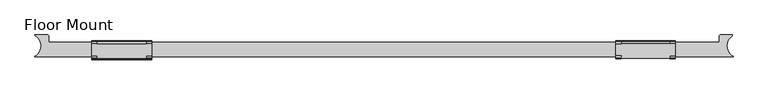
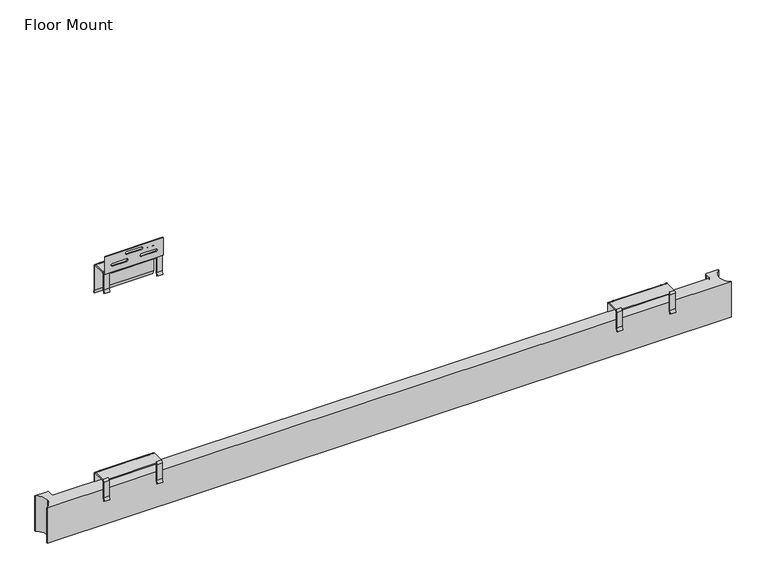
"""IFC4 building model written with IfcOpenShell, lengths in millimetres: furniture geometry, Floor Mount."""

from ifc_helpers import new_model, si_unit, point, frame, frame_2d, origin, place, context, project, spatial, polyline, circle_curve, trimmed, segment, composite_curve, outline, extrude, source, transform, mapped, element, save
from ifc_brep_helpers import plane_surface, cylinder_surface, revolved_surface, advanced_brep


def floor_mount_2cc74920(model_context):
    return source(origin(), model_context, "Body", "SolidModel", [
        advanced_brep(
        [(215.8885666, 5.7461246, 1121.5285587), (215.8885666, 5.7461246, 1076.7957523), (215.8885666, 3.2667156, 1067.4836792), (215.8885666, 5.3049075, 1066.9409954), (215.8885666, 7.8554071, 1076.520068), (215.8885666, 7.8554071, 1121.9591913), (215.8885666, 10.3954071, 1124.4991913), (215.8885666, 6.7052337, 1124.4991913), (200.8882541, 10.8261246, 1126.6085587), (200.8882541, 43.9656951, 1126.6085587), (200.8882541, 49.0456951, 1121.5285587), (200.8882541, 49.0456951, 1051.8139055), (200.8882541, 51.5428205, 1042.4945068), (200.8882541, 49.5053746, 1041.9485749), (200.8882541, 46.9363822, 1051.536185), (200.8882541, 46.9363822, 1121.9591913), (200.8882541, 44.3963822, 1124.4991913), (200.8882541, 10.3954071, 1124.4991913), (200.8882541, 7.8554071, 1121.9591913), (200.8882541, 7.8554071, 1076.520068), (200.8882541, 5.3049075, 1066.9409954), (200.8882541, 3.2667156, 1067.4836792), (200.8882541, 5.7461246, 1076.7957523), (200.8882541, 5.7461246, 1121.5285587), (215.8885666, 10.8261246, 1126.6085587), (215.8885666, 44.3963822, 1124.4991913), (345.880632, 44.3963822, 1124.4991913), (360.8808792, 44.3963822, 1124.4991913), (360.8808792, 10.3954071, 1124.4991913), (345.880632, 10.3954071, 1124.4991913), (345.880632, 6.7052337, 1124.4991913), (345.880632, 4.9316273, 1124.4991913), (215.8885666, 4.9316273, 1124.4991913), (215.8885666, 46.9363822, 1121.9591913), (360.8808792, 46.9363822, 1051.536185), (360.8808792, 46.9363822, 1121.9591913), (345.880632, 46.9363822, 1121.9591913), (215.8885666, 49.0456951, 1121.5285587), (345.880632, 49.0456951, 1121.5285587), (360.8808792, 49.0456951, 1121.5285587), (360.8808792, 49.0456951, 1051.8139055), (215.8885666, 43.9656951, 1126.6085587), (215.8885666, 4.9316273, 1126.6085587), (345.880632, 4.9316273, 1126.6085587), (345.880632, 10.8261246, 1126.6085587), (360.8808792, 10.8261246, 1126.6085587), (360.8808792, 43.9656951, 1126.6085587), (345.880632, 43.9656951, 1126.6085587), (360.8808792, 49.5053746, 1041.9485749), (360.8808792, 51.5428205, 1042.4945068), (360.8808792, 5.7461246, 1121.5285587), (360.8808792, 5.7461246, 1076.7957523), (360.8808792, 3.2667156, 1067.4836792), (360.8808792, 5.3049075, 1066.9409954), (360.8808792, 7.8554071, 1076.520068), (360.8808792, 7.8554071, 1121.9591913), (345.880632, 7.8554071, 1121.9591913), (345.880632, 7.8554071, 1076.520068), (345.880632, 5.3049075, 1066.9409954), (345.880632, 3.2667156, 1067.4836792), (345.880632, 5.7461246, 1076.7957523), (345.880632, 5.7461246, 1121.5285587)],
        [
            (0, 1),
            (1, 2),
            (2, 3),
            (3, 4),
            (4, 5),
            (5, 6, circle_curve(frame((215.8885666, 10.3954071, 1121.9591913), z_axis=(-1.0, 0.0, 0.0), x_axis=(0.0, 1.0, 0.0)), 2.54)),
            (6, 7),
            (7, 0, circle_curve(frame((215.8885666, 10.8261246, 1121.5285587), z_axis=(1.0, 0.0, 0.0), x_axis=(0.0, 1.0, 0.0)), 5.08)),
            (8, 9),
            (9, 10, circle_curve(frame((200.8882541, 43.9656951, 1121.5285587), z_axis=(-1.0, 0.0, 0.0), x_axis=(0.0, 1.0, 0.0)), 5.08)),
            (10, 11),
            (11, 12),
            (12, 13),
            (13, 14),
            (14, 15),
            (15, 16, circle_curve(frame((200.8882541, 44.3963822, 1121.9591913), z_axis=(1.0, 0.0, 0.0), x_axis=(0.0, 1.0, 0.0)), 2.54)),
            (16, 17),
            (17, 18, circle_curve(frame((200.8882541, 10.3954071, 1121.9591913), z_axis=(1.0, 0.0, 0.0), x_axis=(0.0, 1.0, 0.0)), 2.54)),
            (18, 19),
            (19, 20),
            (20, 21),
            (21, 22),
            (22, 23),
            (23, 8, circle_curve(frame((200.8882541, 10.8261246, 1121.5285587), z_axis=(-1.0, 0.0, 0.0), x_axis=(0.0, 1.0, 0.0)), 5.08)),
            (23, 0),
            (7, 24, circle_curve(frame((215.8885666, 10.8261246, 1121.5285587), z_axis=(-1.0, 0.0, 0.0), x_axis=(0.0, 1.0, 0.0)), 5.08)),
            (24, 8),
            (22, 1),
            (21, 2),
            (20, 3),
            (19, 4),
            (18, 5),
            (17, 6),
            (16, 25),
            (25, 26),
            (26, 27),
            (27, 28),
            (28, 29),
            (29, 30),
            (30, 31),
            (31, 32),
            (32, 7),
            (15, 33),
            (33, 25, circle_curve(frame((215.8885666, 44.3963822, 1121.9591913), z_axis=(1.0, 0.0, 0.0), x_axis=(0.0, 1.0, 0.0)), 2.54)),
            (14, 34),
            (34, 35),
            (35, 36),
            (36, 33),
            (10, 37),
            (37, 38),
            (38, 39),
            (39, 40),
            (40, 11),
            (9, 41),
            (41, 37, circle_curve(frame((215.8885666, 43.9656951, 1121.5285587), z_axis=(-1.0, 0.0, 0.0), x_axis=(0.0, 1.0, 0.0)), 5.08)),
            (24, 42),
            (42, 43),
            (43, 44),
            (44, 45),
            (45, 46),
            (46, 47),
            (47, 41),
            (13, 48),
            (48, 34),
            (12, 49),
            (49, 48),
            (40, 49),
            (43, 31),
            (30, 44, circle_curve(frame((345.880632, 10.8261246, 1121.5285587), z_axis=(-1.0, 0.0, 0.0), x_axis=(0.0, 1.0, 0.0)), 5.08)),
            (32, 42),
            (36, 26, circle_curve(frame((345.880632, 44.3963822, 1121.9591913), z_axis=(1.0, 0.0, 0.0), x_axis=(0.0, 1.0, 0.0)), 2.54)),
            (47, 38, circle_curve(frame((345.880632, 43.9656951, 1121.5285587), z_axis=(-1.0, 0.0, 0.0), x_axis=(0.0, 1.0, 0.0)), 5.08)),
            (45, 50, circle_curve(frame((360.8808792, 10.8261246, 1121.5285587), z_axis=(1.0, 0.0, 0.0), x_axis=(0.0, 1.0, 0.0)), 5.08)),
            (50, 51),
            (51, 52),
            (52, 53),
            (53, 54),
            (54, 55),
            (55, 28, circle_curve(frame((360.8808792, 10.3954071, 1121.9591913), z_axis=(-1.0, 0.0, 0.0), x_axis=(0.0, 1.0, 0.0)), 2.54)),
            (27, 35, circle_curve(frame((360.8808792, 44.3963822, 1121.9591913), z_axis=(-1.0, 0.0, 0.0), x_axis=(0.0, 1.0, 0.0)), 2.54)),
            (39, 46, circle_curve(frame((360.8808792, 43.9656951, 1121.5285587), z_axis=(1.0, 0.0, 0.0), x_axis=(0.0, 1.0, 0.0)), 5.08)),
            (29, 56, circle_curve(frame((345.880632, 10.3954071, 1121.9591913), z_axis=(1.0, 0.0, 0.0), x_axis=(0.0, 1.0, 0.0)), 2.54)),
            (56, 57),
            (57, 58),
            (58, 59),
            (59, 60),
            (60, 61),
            (61, 30, circle_curve(frame((345.880632, 10.8261246, 1121.5285587), z_axis=(-1.0, 0.0, 0.0), x_axis=(0.0, 1.0, 0.0)), 5.08)),
            (61, 50),
            (60, 51),
            (59, 52),
            (58, 53),
            (57, 54),
            (56, 55),
        ],
        [
            plane_surface(frame((215.8885666, 15.9061246, 1121.5285587), z_axis=(1.0, 0.0, 0.0), x_axis=(0.0, 0.0, 1.0))),
            plane_surface(frame((200.8882541, 15.9061246, 1121.5285587), z_axis=(-1.0, 0.0, 0.0), x_axis=(0.0, 0.0, -1.0))),
            cylinder_surface(frame((200.8882541, 10.8261246, 1121.5285587), z_axis=(1.0, 0.0, 0.0), x_axis=(0.0, 1.0, 0.0)), 5.08),
            plane_surface(frame((215.8885666, 5.7461246, 1121.5285587), z_axis=(0.0, -1.0, 0.0), x_axis=(-1.0, 0.0, 0.0))),
            plane_surface(frame((215.8885666, 5.7461246, 1076.7957523), z_axis=(0.0, -0.9663333149378539, 0.2572934597715583), x_axis=(-1.0, 0.0, 0.0))),
            plane_surface(frame((215.8885666, 3.2667156, 1067.4836792), z_axis=(0.0, -0.25729345977151075, -0.9663333149378666), x_axis=(-1.0, 0.0, 0.0))),
            plane_surface(frame((215.8885666, 5.3049075, 1066.9409954), z_axis=(0.0, 0.966333314937853, -0.25729345977156176), x_axis=(-1.0, 0.0, 0.0))),
            plane_surface(frame((215.8885666, 7.8554071, 1076.520068), z_axis=(0.0, 1.0, 0.0), x_axis=(-1.0, 0.0, 0.0))),
            revolved_surface(polyline([(200.8882541, 12.935407099999999, 1121.9591913), (215.8885666, 12.935407099999999, 1121.9591913)]), (200.8882541, 10.3954071, 1121.9591913), (-1.0, 0.0, 0.0)),
            plane_surface(frame((215.8885666, 10.3954071, 1124.4991913), z_axis=(0.0, 0.0, -1.0), x_axis=(-1.0, 0.0, 0.0))),
            revolved_surface(polyline([(200.8882541, 46.9363822, 1121.9591913), (215.8885666, 46.9363822, 1121.9591913)]), (200.8882541, 44.3963822, 1121.9591913), (-1.0, 0.0, 0.0)),
            plane_surface(frame((215.8885666, 46.9363822, 1121.9591913), z_axis=(0.0, -1.0, 0.0), x_axis=(-1.0, 0.0, 0.0))),
            plane_surface(frame((215.8885666, 49.0456951, 1051.8139055), z_axis=(0.0, 1.0, 0.0), x_axis=(-1.0, 0.0, 0.0))),
            cylinder_surface(frame((200.8882541, 43.9656951, 1121.5285587), z_axis=(1.0, 0.0, 0.0), x_axis=(0.0, 1.0, 0.0)), 5.08),
            plane_surface(frame((215.8885666, 43.9656951, 1126.6085587), z_axis=(0.0, 0.0, 1.0), x_axis=(-1.0, 0.0, 0.0))),
            plane_surface(frame((215.8885666, 46.9363822, 1051.536185), z_axis=(0.0, -0.9659258262890708, -0.2588190451025117), x_axis=(-1.0, 0.0, 0.0))),
            plane_surface(frame((215.8885666, 49.5053746, 1041.9485749), z_axis=(0.0, 0.2588190451025379, -0.9659258262890638), x_axis=(-1.0, 0.0, 0.0))),
            plane_surface(frame((215.8885666, 51.5428205, 1042.4945068), z_axis=(0.0, 0.9659258262890699, 0.258819045102515), x_axis=(-1.0, 0.0, 0.0))),
            plane_surface(frame((345.880632, 10.3954071, 1124.4991913), z_axis=(1.0, 0.0, 0.0), x_axis=(0.0, 1.0, 0.0))),
            plane_surface(frame((215.8885666, 10.3954071, 1124.4991913), z_axis=(-1.0, 0.0, 0.0), x_axis=(0.0, -1.0, 0.0))),
            revolved_surface(polyline([(215.8885666, 46.9363822, 1121.9591913), (345.880632, 46.9363822, 1121.9591913)]), (215.8885666, 44.3963822, 1121.9591913), (-1.0, 0.0, 0.0)),
            cylinder_surface(frame((215.8885666, 43.9656951, 1121.5285587), z_axis=(1.0, 0.0, 0.0), x_axis=(0.0, 1.0, 0.0)), 5.08),
            plane_surface(frame((345.880632, 4.9316273, 1126.6085587), z_axis=(0.0, -1.0, 0.0), x_axis=(-1.0, 0.0, 0.0))),
            plane_surface(frame((360.8808792, 15.9061246, 1121.5285587), z_axis=(1.0, 0.0, 0.0), x_axis=(0.0, 0.0, 1.0))),
            plane_surface(frame((345.880632, 15.9061246, 1121.5285587), z_axis=(-1.0, 0.0, 0.0), x_axis=(0.0, 0.0, -1.0))),
            cylinder_surface(frame((345.880632, 10.8261246, 1121.5285587), z_axis=(1.0, 0.0, 0.0), x_axis=(0.0, 1.0, 0.0)), 5.08),
            plane_surface(frame((360.8808792, 5.7461246, 1121.5285587), z_axis=(0.0, -1.0, 0.0), x_axis=(-1.0, 0.0, 0.0))),
            plane_surface(frame((360.8808792, 5.7461246, 1076.7957523), z_axis=(0.0, -0.9663333149378539, 0.2572934597715583), x_axis=(-1.0, 0.0, 0.0))),
            plane_surface(frame((360.8808792, 3.2667156, 1067.4836792), z_axis=(0.0, -0.25729345977151075, -0.9663333149378666), x_axis=(-1.0, 0.0, 0.0))),
            plane_surface(frame((360.8808792, 5.3049075, 1066.9409954), z_axis=(0.0, 0.966333314937853, -0.25729345977156176), x_axis=(-1.0, 0.0, 0.0))),
            plane_surface(frame((360.8808792, 7.8554071, 1076.520068), z_axis=(0.0, 1.0, 0.0), x_axis=(-1.0, 0.0, 0.0))),
            revolved_surface(polyline([(345.880632, 12.935407099999999, 1121.9591913), (360.8808792, 12.935407099999999, 1121.9591913)]), (345.880632, 10.3954071, 1121.9591913), (-1.0, 0.0, 0.0)),
            revolved_surface(polyline([(345.880632, 46.9363822, 1121.9591913), (360.8808792, 46.9363822, 1121.9591913)]), (345.880632, 44.3963822, 1121.9591913), (-1.0, 0.0, 0.0)),
            cylinder_surface(frame((345.880632, 43.9656951, 1121.5285587), z_axis=(1.0, 0.0, 0.0), x_axis=(0.0, 1.0, 0.0)), 5.08),
        ],
        [
            (0, [[1, 2, 3, 4, 5, 6, 7, 8]]),
            (1, [[9, 10, 11, 12, 13, 14, 15, 16, 17, 18, 19, 20, 21, 22, 23, 24]]),
            (2, [[-24, 25, -8, 26, 27]]),
            (3, [[-1, -25, -23, 28]]),
            (4, [[-2, -28, -22, 29]]),
            (5, [[-3, -29, -21, 30]]),
            (6, [[-4, -30, -20, 31]]),
            (7, [[-5, -31, -19, 32]]),
            (8, [[-6, -32, -18, 33]]),
            (9, [[-17, 34, 35, 36, 37, 38, 39, 40, 41, 42, -7, -33]]),
            (10, [[-16, 43, 44, -34]]),
            (11, [[-15, 45, 46, 47, 48, -43]]),
            (12, [[-11, 49, 50, 51, 52, 53]]),
            (13, [[-10, 54, 55, -49]]),
            (14, [[-9, -27, 56, 57, 58, 59, 60, 61, 62, -54]]),
            (15, [[-45, -14, 63, 64]]),
            (16, [[-63, -13, 65, 66]]),
            (17, [[-65, -12, -53, 67]]),
            (18, [[68, -40, 69, -58]]),
            (19, [[70, -56, -26, -42]]),
            (20, [[-35, -44, -48, 71]]),
            (21, [[-50, -55, -62, 72]]),
            (22, [[-68, -57, -70, -41]]),
            (23, [[73, 74, 75, 76, 77, 78, 79, -37, 80, -46, -64, -66, -67, -52, 81, -60]]),
            (24, [[82, 83, 84, 85, 86, 87, 88, -39]]),
            (25, [[-73, -59, -69, -88, 89]]),
            (26, [[-74, -89, -87, 90]]),
            (27, [[-75, -90, -86, 91]]),
            (28, [[-76, -91, -85, 92]]),
            (29, [[-77, -92, -84, 93]]),
            (30, [[-78, -93, -83, 94]]),
            (31, [[-79, -94, -82, -38]]),
            (32, [[-80, -36, -71, -47]]),
            (33, [[-81, -51, -72, -61]]),
        ],
    ),
        advanced_brep(
        [(1615.8884804, 5.7461246, 1121.5285587), (1615.8884804, 5.7461246, 1076.7957523), (1615.8884804, 3.2667156, 1067.4836792), (1615.8884804, 5.3049075, 1066.9409954), (1615.8884804, 7.8554071, 1076.520068), (1615.8884804, 7.8554071, 1121.9591913), (1615.8884804, 10.3954071, 1124.4991913), (1615.8884804, 6.7052337, 1124.4991913), (1600.8882332, 10.8261246, 1126.6085587), (1600.8882332, 43.9656951, 1126.6085587), (1600.8882332, 49.0456951, 1121.5285587), (1600.8882332, 49.0456951, 1051.8139055), (1600.8882332, 51.5428205, 1042.4945068), (1600.8882332, 49.5053746, 1041.9485749), (1600.8882332, 46.9363822, 1051.536185), (1600.8882332, 46.9363822, 1121.9591913), (1600.8882332, 44.3963822, 1124.4991913), (1600.8882332, 10.3954071, 1124.4991913), (1600.8882332, 7.8554071, 1121.9591913), (1600.8882332, 7.8554071, 1076.520068), (1600.8882332, 5.3049075, 1066.9409954), (1600.8882332, 3.2667156, 1067.4836792), (1600.8882332, 5.7461246, 1076.7957523), (1600.8882332, 5.7461246, 1121.5285587), (1615.8884804, 10.8261246, 1126.6085587), (1615.8884804, 44.3963822, 1124.4991913), (1745.8804489, 44.3963822, 1124.4991913), (1760.8806961, 44.3963822, 1124.4991913), (1760.8806961, 10.3954071, 1124.4991913), (1745.8804489, 10.3954071, 1124.4991913), (1745.8804489, 6.7052337, 1124.4991913), (1745.8804489, 4.9316273, 1124.4991913), (1615.8884804, 4.9316273, 1124.4991913), (1615.8884804, 46.9363822, 1121.9591913), (1760.8806961, 46.9363822, 1051.536185), (1760.8806961, 46.9363822, 1121.9591913), (1745.8804489, 46.9363822, 1121.9591913), (1615.8884804, 49.0456951, 1121.5285587), (1745.8804489, 49.0456951, 1121.5285587), (1760.8806961, 49.0456951, 1121.5285587), (1760.8806961, 49.0456951, 1051.8139055), (1615.8884804, 43.9656951, 1126.6085587), (1615.8884804, 4.9316273, 1126.6085587), (1745.8804489, 4.9316273, 1126.6085587), (1745.8804489, 10.8261246, 1126.6085587), (1760.8806961, 10.8261246, 1126.6085587), (1760.8806961, 43.9656951, 1126.6085587), (1745.8804489, 43.9656951, 1126.6085587), (1760.8806961, 49.5053746, 1041.9485749), (1760.8806961, 51.5428205, 1042.4945068), (1760.8806961, 5.7461246, 1121.5285587), (1760.8806961, 5.7461246, 1076.7957523), (1760.8806961, 3.2667156, 1067.4836792), (1760.8806961, 5.3049075, 1066.9409954), (1760.8806961, 7.8554071, 1076.520068), (1760.8806961, 7.8554071, 1121.9591913), (1745.8804489, 7.8554071, 1121.9591913), (1745.8804489, 7.8554071, 1076.520068), (1745.8804489, 5.3049075, 1066.9409954), (1745.8804489, 3.2667156, 1067.4836792), (1745.8804489, 5.7461246, 1076.7957523), (1745.8804489, 5.7461246, 1121.5285587)],
        [
            (0, 1),
            (1, 2),
            (2, 3),
            (3, 4),
            (4, 5),
            (5, 6, circle_curve(frame((1615.8884804, 10.3954071, 1121.9591913), z_axis=(-1.0, 0.0, 0.0), x_axis=(0.0, 1.0, 0.0)), 2.54)),
            (6, 7),
            (7, 0, circle_curve(frame((1615.8884804, 10.8261246, 1121.5285587), z_axis=(1.0, 0.0, 0.0), x_axis=(0.0, 1.0, 0.0)), 5.08)),
            (8, 9),
            (9, 10, circle_curve(frame((1600.8882332, 43.9656951, 1121.5285587), z_axis=(-1.0, 0.0, 0.0), x_axis=(0.0, 1.0, 0.0)), 5.08)),
            (10, 11),
            (11, 12),
            (12, 13),
            (13, 14),
            (14, 15),
            (15, 16, circle_curve(frame((1600.8882332, 44.3963822, 1121.9591913), z_axis=(1.0, 0.0, 0.0), x_axis=(0.0, 1.0, 0.0)), 2.54)),
            (16, 17),
            (17, 18, circle_curve(frame((1600.8882332, 10.3954071, 1121.9591913), z_axis=(1.0, 0.0, 0.0), x_axis=(0.0, 1.0, 0.0)), 2.54)),
            (18, 19),
            (19, 20),
            (20, 21),
            (21, 22),
            (22, 23),
            (23, 8, circle_curve(frame((1600.8882332, 10.8261246, 1121.5285587), z_axis=(-1.0, 0.0, 0.0), x_axis=(0.0, 1.0, 0.0)), 5.08)),
            (23, 0),
            (7, 24, circle_curve(frame((1615.8884804, 10.8261246, 1121.5285587), z_axis=(-1.0, 0.0, 0.0), x_axis=(0.0, 1.0, 0.0)), 5.08)),
            (24, 8),
            (22, 1),
            (21, 2),
            (20, 3),
            (19, 4),
            (18, 5),
            (17, 6),
            (16, 25),
            (25, 26),
            (26, 27),
            (27, 28),
            (28, 29),
            (29, 30),
            (30, 31),
            (31, 32),
            (32, 7),
            (15, 33),
            (33, 25, circle_curve(frame((1615.8884804, 44.3963822, 1121.9591913), z_axis=(1.0, 0.0, 0.0), x_axis=(0.0, 1.0, 0.0)), 2.54)),
            (14, 34),
            (34, 35),
            (35, 36),
            (36, 33),
            (10, 37),
            (37, 38),
            (38, 39),
            (39, 40),
            (40, 11),
            (9, 41),
            (41, 37, circle_curve(frame((1615.8884804, 43.9656951, 1121.5285587), z_axis=(-1.0, 0.0, 0.0), x_axis=(0.0, 1.0, 0.0)), 5.08)),
            (24, 42),
            (42, 43),
            (43, 44),
            (44, 45),
            (45, 46),
            (46, 47),
            (47, 41),
            (13, 48),
            (48, 34),
            (12, 49),
            (49, 48),
            (40, 49),
            (43, 31),
            (30, 44, circle_curve(frame((1745.8804489, 10.8261246, 1121.5285587), z_axis=(-1.0, 0.0, 0.0), x_axis=(0.0, 1.0, 0.0)), 5.08)),
            (32, 42),
            (36, 26, circle_curve(frame((1745.8804489, 44.3963822, 1121.9591913), z_axis=(1.0, 0.0, 0.0), x_axis=(0.0, 1.0, 0.0)), 2.54)),
            (47, 38, circle_curve(frame((1745.8804489, 43.9656951, 1121.5285587), z_axis=(-1.0, 0.0, 0.0), x_axis=(0.0, 1.0, 0.0)), 5.08)),
            (45, 50, circle_curve(frame((1760.8806961, 10.8261246, 1121.5285587), z_axis=(1.0, 0.0, 0.0), x_axis=(0.0, 1.0, 0.0)), 5.08)),
            (50, 51),
            (51, 52),
            (52, 53),
            (53, 54),
            (54, 55),
            (55, 28, circle_curve(frame((1760.8806961, 10.3954071, 1121.9591913), z_axis=(-1.0, 0.0, 0.0), x_axis=(0.0, 1.0, 0.0)), 2.54)),
            (27, 35, circle_curve(frame((1760.8806961, 44.3963822, 1121.9591913), z_axis=(-1.0, 0.0, 0.0), x_axis=(0.0, 1.0, 0.0)), 2.54)),
            (39, 46, circle_curve(frame((1760.8806961, 43.9656951, 1121.5285587), z_axis=(1.0, 0.0, 0.0), x_axis=(0.0, 1.0, 0.0)), 5.08)),
            (29, 56, circle_curve(frame((1745.8804489, 10.3954071, 1121.9591913), z_axis=(1.0, 0.0, 0.0), x_axis=(0.0, 1.0, 0.0)), 2.54)),
            (56, 57),
            (57, 58),
            (58, 59),
            (59, 60),
            (60, 61),
            (61, 30, circle_curve(frame((1745.8804489, 10.8261246, 1121.5285587), z_axis=(-1.0, 0.0, 0.0), x_axis=(0.0, 1.0, 0.0)), 5.08)),
            (61, 50),
            (60, 51),
            (59, 52),
            (58, 53),
            (57, 54),
            (56, 55),
        ],
        [
            plane_surface(frame((1615.8884804, 15.9061246, 1121.5285587), z_axis=(1.0, 0.0, 0.0), x_axis=(0.0, 0.0, 1.0))),
            plane_surface(frame((1600.8882332, 15.9061246, 1121.5285587), z_axis=(-1.0, 0.0, 0.0), x_axis=(0.0, 0.0, -1.0))),
            cylinder_surface(frame((1600.8882332, 10.8261246, 1121.5285587), z_axis=(1.0, 0.0, 0.0), x_axis=(0.0, 1.0, 0.0)), 5.08),
            plane_surface(frame((1615.8884804, 5.7461246, 1121.5285587), z_axis=(0.0, -1.0, 0.0), x_axis=(-1.0, 0.0, 0.0))),
            plane_surface(frame((1615.8884804, 5.7461246, 1076.7957523), z_axis=(0.0, -0.9663333149378539, 0.2572934597715583), x_axis=(-1.0, 0.0, 0.0))),
            plane_surface(frame((1615.8884804, 3.2667156, 1067.4836792), z_axis=(0.0, -0.25729345977151075, -0.9663333149378666), x_axis=(-1.0, 0.0, 0.0))),
            plane_surface(frame((1615.8884804, 5.3049075, 1066.9409954), z_axis=(0.0, 0.966333314937853, -0.25729345977156176), x_axis=(-1.0, 0.0, 0.0))),
            plane_surface(frame((1615.8884804, 7.8554071, 1076.520068), z_axis=(0.0, 1.0, 0.0), x_axis=(-1.0, 0.0, 0.0))),
            revolved_surface(polyline([(1600.8882332, 12.935407099999999, 1121.9591913), (1615.8884804, 12.935407099999999, 1121.9591913)]), (1600.8882332, 10.3954071, 1121.9591913), (-1.0, 0.0, 0.0)),
            plane_surface(frame((1615.8884804, 10.3954071, 1124.4991913), z_axis=(0.0, 0.0, -1.0), x_axis=(-1.0, 0.0, 0.0))),
            revolved_surface(polyline([(1600.8882332, 46.9363822, 1121.9591913), (1615.8884804, 46.9363822, 1121.9591913)]), (1600.8882332, 44.3963822, 1121.9591913), (-1.0, 0.0, 0.0)),
            plane_surface(frame((1615.8884804, 46.9363822, 1121.9591913), z_axis=(0.0, -1.0, 0.0), x_axis=(-1.0, 0.0, 0.0))),
            plane_surface(frame((1615.8884804, 49.0456951, 1051.8139055), z_axis=(0.0, 1.0, 0.0), x_axis=(-1.0, 0.0, 0.0))),
            cylinder_surface(frame((1600.8882332, 43.9656951, 1121.5285587), z_axis=(1.0, 0.0, 0.0), x_axis=(0.0, 1.0, 0.0)), 5.08),
            plane_surface(frame((1615.8884804, 43.9656951, 1126.6085587), z_axis=(0.0, 0.0, 1.0), x_axis=(-1.0, 0.0, 0.0))),
            plane_surface(frame((1615.8884804, 46.9363822, 1051.536185), z_axis=(0.0, -0.9659258262890708, -0.2588190451025117), x_axis=(-1.0, 0.0, 0.0))),
            plane_surface(frame((1615.8884804, 49.5053746, 1041.9485749), z_axis=(0.0, 0.2588190451025379, -0.9659258262890638), x_axis=(-1.0, 0.0, 0.0))),
            plane_surface(frame((1615.8884804, 51.5428205, 1042.4945068), z_axis=(0.0, 0.9659258262890699, 0.258819045102515), x_axis=(-1.0, 0.0, 0.0))),
            plane_surface(frame((1745.8804489, 10.3954071, 1124.4991913), z_axis=(1.0, 0.0, 0.0), x_axis=(0.0, 1.0, 0.0))),
            plane_surface(frame((1615.8884804, 10.3954071, 1124.4991913), z_axis=(-1.0, 0.0, 0.0), x_axis=(0.0, -1.0, 0.0))),
            revolved_surface(polyline([(1615.8884804, 46.9363822, 1121.9591913), (1745.8804489, 46.9363822, 1121.9591913)]), (1615.8884804, 44.3963822, 1121.9591913), (-1.0, 0.0, 0.0)),
            cylinder_surface(frame((1615.8884804, 43.9656951, 1121.5285587), z_axis=(1.0, 0.0, 0.0), x_axis=(0.0, 1.0, 0.0)), 5.08),
            plane_surface(frame((1745.8804489, 4.9316273, 1126.6085587), z_axis=(0.0, -1.0, 0.0), x_axis=(-1.0, 0.0, 0.0))),
            plane_surface(frame((1760.8806961, 15.9061246, 1121.5285587), z_axis=(1.0, 0.0, 0.0), x_axis=(0.0, 0.0, 1.0))),
            plane_surface(frame((1745.8804489, 15.9061246, 1121.5285587), z_axis=(-1.0, 0.0, 0.0), x_axis=(0.0, 0.0, -1.0))),
            cylinder_surface(frame((1745.8804489, 10.8261246, 1121.5285587), z_axis=(1.0, 0.0, 0.0), x_axis=(0.0, 1.0, 0.0)), 5.08),
            plane_surface(frame((1760.8806961, 5.7461246, 1121.5285587), z_axis=(0.0, -1.0, 0.0), x_axis=(-1.0, 0.0, 0.0))),
            plane_surface(frame((1760.8806961, 5.7461246, 1076.7957523), z_axis=(0.0, -0.9663333149378539, 0.2572934597715583), x_axis=(-1.0, 0.0, 0.0))),
            plane_surface(frame((1760.8806961, 3.2667156, 1067.4836792), z_axis=(0.0, -0.25729345977151075, -0.9663333149378666), x_axis=(-1.0, 0.0, 0.0))),
            plane_surface(frame((1760.8806961, 5.3049075, 1066.9409954), z_axis=(0.0, 0.966333314937853, -0.25729345977156176), x_axis=(-1.0, 0.0, 0.0))),
            plane_surface(frame((1760.8806961, 7.8554071, 1076.520068), z_axis=(0.0, 1.0, 0.0), x_axis=(-1.0, 0.0, 0.0))),
            revolved_surface(polyline([(1745.8804489, 12.935407099999999, 1121.9591913), (1760.8806961, 12.935407099999999, 1121.9591913)]), (1745.8804489, 10.3954071, 1121.9591913), (-1.0, 0.0, 0.0)),
            revolved_surface(polyline([(1745.8804489, 46.9363822, 1121.9591913), (1760.8806961, 46.9363822, 1121.9591913)]), (1745.8804489, 44.3963822, 1121.9591913), (-1.0, 0.0, 0.0)),
            cylinder_surface(frame((1745.8804489, 43.9656951, 1121.5285587), z_axis=(1.0, 0.0, 0.0), x_axis=(0.0, 1.0, 0.0)), 5.08),
        ],
        [
            (0, [[1, 2, 3, 4, 5, 6, 7, 8]]),
            (1, [[9, 10, 11, 12, 13, 14, 15, 16, 17, 18, 19, 20, 21, 22, 23, 24]]),
            (2, [[-24, 25, -8, 26, 27]]),
            (3, [[-1, -25, -23, 28]]),
            (4, [[-2, -28, -22, 29]]),
            (5, [[-3, -29, -21, 30]]),
            (6, [[-4, -30, -20, 31]]),
            (7, [[-5, -31, -19, 32]]),
            (8, [[-6, -32, -18, 33]]),
            (9, [[-17, 34, 35, 36, 37, 38, 39, 40, 41, 42, -7, -33]]),
            (10, [[-16, 43, 44, -34]]),
            (11, [[-15, 45, 46, 47, 48, -43]]),
            (12, [[-11, 49, 50, 51, 52, 53]]),
            (13, [[-10, 54, 55, -49]]),
            (14, [[-9, -27, 56, 57, 58, 59, 60, 61, 62, -54]]),
            (15, [[-45, -14, 63, 64]]),
            (16, [[-63, -13, 65, 66]]),
            (17, [[-65, -12, -53, 67]]),
            (18, [[68, -40, 69, -58]]),
            (19, [[70, -56, -26, -42]]),
            (20, [[-35, -44, -48, 71]]),
            (21, [[-50, -55, -62, 72]]),
            (22, [[-68, -57, -70, -41]]),
            (23, [[73, 74, 75, 76, 77, 78, 79, -37, 80, -46, -64, -66, -67, -52, 81, -60]]),
            (24, [[82, 83, 84, 85, 86, 87, 88, -39]]),
            (25, [[-73, -59, -69, -88, 89]]),
            (26, [[-74, -89, -87, 90]]),
            (27, [[-75, -90, -86, 91]]),
            (28, [[-76, -91, -85, 92]]),
            (29, [[-77, -92, -84, 93]]),
            (30, [[-78, -93, -83, 94]]),
            (31, [[-79, -94, -82, -38]]),
            (32, [[-80, -36, -71, -47]]),
            (33, [[-81, -51, -72, -61]]),
        ],
    ),
        extrude(outline(composite_curve([segment(polyline([(48.7890429, 65.9122423), (48.7890429, 67.0269936), (82.6409259, 67.0269936)]), True, "CONTINUOUS"), segment(trimmed(circle_curve(frame_2d((82.6409259, 64.4869936)), 2.54), [point((82.6409259, 67.0269936))], [point((85.1809259, 64.4869936))], False, "CARTESIAN"), True, "CONTINUOUS"), segment(polyline([(85.1809259, 64.4869936), (85.1809259, 50.9358586)]), True, "CONTINUOUS"), segment(trimmed(circle_curve(frame_2d((88.9909259, 50.9358586)), 3.81), [point((85.1809259, 50.9358586))], [point((88.9909259, 47.1258586))], True, "CARTESIAN"), True, "CONTINUOUS"), segment(polyline([(88.9909259, 47.1258586), (1874.8644751, 47.1258586)]), True, "CONTINUOUS"), segment(trimmed(circle_curve(frame_2d((1874.8644751, 50.9358586)), 3.81), [point((1874.8644751, 47.1258586))], [point((1878.6744751, 50.9358586))], True, "CARTESIAN"), True, "CONTINUOUS"), segment(polyline([(1878.6744751, 50.9358586), (1878.6744751, 64.4870179)]), True, "CONTINUOUS"), segment(trimmed(circle_curve(frame_2d((1881.2144751, 64.4870179)), 2.54), [point((1878.6744751, 64.4870179))], [point((1881.2144751, 67.0270179))], False, "CARTESIAN"), True, "CONTINUOUS"), segment(polyline([(1881.2144751, 67.0270179), (1913.3888957, 67.0270179), (1913.3888957, 64.9340912)]), True, "CONTINUOUS"), segment(trimmed(circle_curve(frame_2d((1930.2266912, 38.0166035)), 31.75), [point((1913.3888957, 64.9340912))], [point((1898.4766912, 38.0166035))], True, "CARTESIAN"), True, "CONTINUOUS"), segment(trimmed(circle_curve(frame_2d((1930.2266912, 38.0166035)), 31.75), [point((1898.4766912, 38.0166035))], [point((1915.1924011, 10.0517573))], True, "CARTESIAN"), True, "CONTINUOUS"), segment(polyline([(1915.1924011, 10.0517573), (1915.1924011, 9.0285958), (48.7890429, 9.0285958), (48.7890429, 10.1209648)]), True, "CONTINUOUS"), segment(trimmed(circle_curve(frame_2d((33.6267265, 38.0166035)), 31.75), [point((48.7890429, 10.1209648))], [point((65.3767265, 38.0166035))], True, "CARTESIAN"), True, "CONTINUOUS"), segment(trimmed(circle_curve(frame_2d((33.6267265, 38.0166035)), 31.75), [point((65.3767265, 38.0166035))], [point((48.7890429, 65.9122423))], True, "CARTESIAN"), True, "CONTINUOUS")], self_intersect=False)), frame((0.0, 0.0, 997.1654907), z_axis=(0.0, 0.0, 1.0), x_axis=(1.0, 0.0, 0.0)), (0.0, 0.0, 1.0), 101.592733),
        advanced_brep(
        [(360.5010068, 0.0, 1775.9183441), (201.2894807, 0.0, 1775.9183441), (201.2894807, 0.0, 1724.7897651), (220.1200407, 0.0, 1724.7897651), (341.6839384, 0.0, 1724.7982096), (360.5010068, 0.0, 1724.7897651), (301.5637128, 0.0, 1749.7282761), (339.7464597, 0.0, 1749.7282761), (339.7464597, 0.0, 1742.2847382), (301.5637128, 0.0, 1742.2847382), (222.0577131, 0.0, 1749.7282761), (260.24046, 0.0, 1749.7282761), (260.24046, 0.0, 1742.2847382), (222.0577131, 0.0, 1742.2847382), (261.9074125, 0.0, 1769.7995316), (299.8965665, 0.0, 1769.7995316), (299.8965665, 0.0, 1762.1211243), (261.9074125, 0.0, 1762.1211243), (360.5010068, 2.1483972, 1775.9183441), (360.5010068, 2.1483972, 1724.7897651), (341.6839384, 2.1483972, 1724.7897651), (220.1200407, 2.1483972, 1724.803999), (201.2894807, 2.1483972, 1724.7897651), (201.2894807, 2.1483972, 1775.9183441), (301.5637128, 2.1483972, 1749.7282761), (301.5637128, 2.1483972, 1742.2847382), (339.7464597, 2.1483972, 1742.2847382), (339.7464597, 2.1483972, 1749.7282761), (222.0577131, 2.1483972, 1749.7282761), (222.0577131, 2.1483972, 1742.2847382), (260.24046, 2.1483972, 1742.2847382), (260.24046, 2.1483972, 1749.7282761), (261.9074125, 2.1483972, 1769.7995316), (261.9074125, 2.1483972, 1762.1211243), (299.8965665, 2.1483972, 1762.1211243), (299.8965665, 2.1483972, 1769.7995316), (341.6839384, 35.7731913, 1723.787999), (341.6839384, 3.1643972, 1723.787999), (341.6839384, 3.175, 1721.6232096), (341.6839384, 35.7731913, 1721.6232096), (220.1200407, 35.7731913, 1723.787999), (220.1200407, 35.7731913, 1721.6232096), (220.1200407, 3.175, 1721.6232096), (220.1200407, 3.1643972, 1723.787999)],
        [
            (0, 1),
            (1, 2),
            (2, 3),
            (3, 4),
            (4, 5),
            (5, 0),
            (6, 7),
            (7, 8, circle_curve(frame((339.7464597, 0.0, 1746.0065071), z_axis=(0.0, 1.0, 0.0), x_axis=(1.0, 0.0, 0.0)), 3.721769)),
            (8, 9),
            (9, 6, circle_curve(frame((301.5637128, 0.0, 1746.0065071), z_axis=(0.0, 1.0, 0.0), x_axis=(1.0, 0.0, 0.0)), 3.721769)),
            (10, 11),
            (11, 12, circle_curve(frame((260.24046, 0.0, 1746.0065071), z_axis=(0.0, 1.0, 0.0), x_axis=(1.0, 0.0, 0.0)), 3.721769)),
            (12, 13),
            (13, 10, circle_curve(frame((222.0577131, 0.0, 1746.0065071), z_axis=(0.0, 1.0, 0.0), x_axis=(1.0, 0.0, 0.0)), 3.721769)),
            (14, 15),
            (15, 16, circle_curve(frame((299.8965665, 0.0, 1765.9603279), z_axis=(0.0, 1.0, 0.0), x_axis=(1.0, 0.0, 0.0)), 3.8392036)),
            (16, 17),
            (17, 14, circle_curve(frame((261.9074125, 0.0, 1765.9603279), z_axis=(0.0, 1.0, 0.0), x_axis=(1.0, 0.0, 0.0)), 3.8392036)),
            (18, 19),
            (19, 20),
            (20, 21),
            (21, 22),
            (22, 23),
            (23, 18),
            (24, 25, circle_curve(frame((301.5637128, 2.1483972, 1746.0065071), z_axis=(0.0, -1.0, 0.0), x_axis=(1.0, 0.0, 0.0)), 3.721769)),
            (25, 26),
            (26, 27, circle_curve(frame((339.7464597, 2.1483972, 1746.0065071), z_axis=(0.0, -1.0, 0.0), x_axis=(1.0, 0.0, 0.0)), 3.721769)),
            (27, 24),
            (28, 29, circle_curve(frame((222.0577131, 2.1483972, 1746.0065071), z_axis=(0.0, -1.0, 0.0), x_axis=(1.0, 0.0, 0.0)), 3.721769)),
            (29, 30),
            (30, 31, circle_curve(frame((260.24046, 2.1483972, 1746.0065071), z_axis=(0.0, -1.0, 0.0), x_axis=(1.0, 0.0, 0.0)), 3.721769)),
            (31, 28),
            (32, 33, circle_curve(frame((261.9074125, 2.1483972, 1765.9603279), z_axis=(0.0, -1.0, 0.0), x_axis=(1.0, 0.0, 0.0)), 3.8392036)),
            (33, 34),
            (34, 35, circle_curve(frame((299.8965665, 2.1483972, 1765.9603279), z_axis=(0.0, -1.0, 0.0), x_axis=(1.0, 0.0, 0.0)), 3.8392036)),
            (35, 32),
            (0, 18),
            (23, 1),
            (22, 2),
            (21, 3),
            (4, 20),
            (19, 5),
            (6, 24),
            (27, 7),
            (26, 8),
            (25, 9),
            (10, 28),
            (31, 11),
            (30, 12),
            (29, 13),
            (14, 32),
            (35, 15),
            (34, 16),
            (33, 17),
            (36, 37),
            (37, 20, circle_curve(frame((341.6839384, 3.1643972, 1724.803999), z_axis=(-1.0, 0.0, 0.0), x_axis=(0.0, 1.0, 0.0)), 1.016)),
            (4, 38, circle_curve(frame((341.6839384, 3.175, 1724.7982096), z_axis=(1.0, 0.0, 0.0), x_axis=(0.0, 1.0, 0.0)), 3.175)),
            (38, 39),
            (39, 36),
            (40, 41),
            (41, 42),
            (42, 3, circle_curve(frame((220.1200407, 3.175, 1724.7982096), z_axis=(-1.0, 0.0, 0.0), x_axis=(0.0, 1.0, 0.0)), 3.175)),
            (21, 43, circle_curve(frame((220.1200407, 3.1643972, 1724.803999), z_axis=(1.0, 0.0, 0.0), x_axis=(0.0, 1.0, 0.0)), 1.016)),
            (43, 40),
            (36, 40),
            (43, 37),
            (42, 38),
            (41, 39),
        ],
        [
            plane_surface(frame((360.5010068, 0.0, 1775.9183441), z_axis=(0.0, -1.0, 0.0), x_axis=(-1.0, 0.0, 0.0))),
            plane_surface(frame((360.5010068, 2.1483972, 1775.9183441), z_axis=(0.0, 1.0, 0.0), x_axis=(1.0, 0.0, 0.0))),
            plane_surface(frame((360.5010068, 0.0, 1775.9183441), z_axis=(0.0, 0.0, 1.0), x_axis=(0.0, 1.0, 0.0))),
            plane_surface(frame((201.2894807, 0.0, 1775.9183441), z_axis=(-1.0, 0.0, 0.0), x_axis=(0.0, 1.0, 0.0))),
            plane_surface(frame((201.2894807, 0.0, 1724.7897651), z_axis=(0.0, 0.0, -1.0), x_axis=(0.0, 1.0, 0.0))),
            plane_surface(frame((341.6839384, 0.0, 1724.7897651), z_axis=(0.0, 0.0, -1.0), x_axis=(0.0, 1.0, 0.0))),
            plane_surface(frame((360.5010068, 0.0, 1724.7897651), z_axis=(1.0, 0.0, 0.0), x_axis=(0.0, 1.0, 0.0))),
            plane_surface(frame((301.5637128, 0.0, 1749.7282761), z_axis=(0.0, 0.0, -1.0), x_axis=(0.0, 1.0, 0.0))),
            revolved_surface(polyline([(343.4682287, 2.1483972, 1746.0065071), (343.4682287, 0.0, 1746.0065071)]), (339.7464597, 0.0, 1746.0065071), (0.0, 1.0, 0.0)),
            plane_surface(frame((339.7464597, 0.0, 1742.2847382), z_axis=(0.0, 0.0, 1.0), x_axis=(0.0, 1.0, 0.0))),
            revolved_surface(polyline([(305.2854818, 2.1483972, 1746.0065071), (305.2854818, 0.0, 1746.0065071)]), (301.5637128, 0.0, 1746.0065071), (0.0, 1.0, 0.0)),
            plane_surface(frame((222.0577131, 0.0, 1749.7282761), z_axis=(0.0, 0.0, -1.0), x_axis=(0.0, 1.0, 0.0))),
            revolved_surface(polyline([(263.962229, 2.1483972, 1746.0065071), (263.962229, 0.0, 1746.0065071)]), (260.24046, 0.0, 1746.0065071), (0.0, 1.0, 0.0)),
            plane_surface(frame((260.24046, 0.0, 1742.2847382), z_axis=(0.0, 0.0, 1.0), x_axis=(0.0, 1.0, 0.0))),
            revolved_surface(polyline([(225.7794821, 2.1483972, 1746.0065071), (225.7794821, 0.0, 1746.0065071)]), (222.0577131, 0.0, 1746.0065071), (0.0, 1.0, 0.0)),
            plane_surface(frame((261.9074125, 0.0, 1769.7995316), z_axis=(0.0, 0.0, -1.0), x_axis=(0.0, 1.0, 0.0))),
            revolved_surface(polyline([(303.7357701, 2.1483972, 1765.9603279), (303.7357701, 0.0, 1765.9603279)]), (299.8965665, 0.0, 1765.9603279), (0.0, 1.0, 0.0)),
            plane_surface(frame((299.8965665, 0.0, 1762.1211243), z_axis=(0.0, 0.0, 1.0), x_axis=(0.0, 1.0, 0.0))),
            revolved_surface(polyline([(265.74661610000004, 2.1483972, 1765.9603279), (265.74661610000004, 0.0, 1765.9603279)]), (261.9074125, 0.0, 1765.9603279), (0.0, 1.0, 0.0)),
            plane_surface(frame((341.6839384, 3.126838, 1723.787999), z_axis=(1.0, 0.0, 0.0), x_axis=(0.0, -1.0, 0.0))),
            plane_surface(frame((220.1200407, 3.126838, 1723.787999), z_axis=(-1.0, 0.0, 0.0), x_axis=(0.0, 1.0, 0.0))),
            plane_surface(frame((341.6839384, 35.7731913, 1723.787999), z_axis=(0.0, 0.0, 1.0), x_axis=(-1.0, 0.0, 0.0))),
            revolved_surface(polyline([(220.1200407, 4.1803972, 1724.803999), (341.6839384, 4.1803972, 1724.803999)]), (220.1200407, 3.1643972, 1724.803999), (-1.0, 0.0, 0.0)),
            cylinder_surface(frame((220.1200407, 3.175, 1724.7982096), z_axis=(1.0, 0.0, 0.0), x_axis=(0.0, 1.0, 0.0)), 3.175),
            plane_surface(frame((341.6839384, 3.175, 1721.6232096), z_axis=(0.0, 0.0, -1.0), x_axis=(-1.0, 0.0, 0.0))),
            plane_surface(frame((341.6839384, 35.7731913, 1721.6232096), z_axis=(0.0, 1.0, 0.0), x_axis=(-1.0, 0.0, 0.0))),
        ],
        [
            (0, [[1, 2, 3, 4, 5, 6], [7, 8, 9, 10], [11, 12, 13, 14], [15, 16, 17, 18]]),
            (1, [[19, 20, 21, 22, 23, 24], [25, 26, 27, 28], [29, 30, 31, 32], [33, 34, 35, 36]]),
            (2, [[-1, 37, -24, 38]]),
            (3, [[-2, -38, -23, 39]]),
            (4, [[-3, -39, -22, 40]]),
            (5, [[-5, 41, -20, 42]]),
            (6, [[-6, -42, -19, -37]]),
            (7, [[-7, 43, -28, 44]]),
            (8, [[-8, -44, -27, 45]]),
            (9, [[-9, -45, -26, 46]]),
            (10, [[-10, -46, -25, -43]]),
            (11, [[-11, 47, -32, 48]]),
            (12, [[-12, -48, -31, 49]]),
            (13, [[-13, -49, -30, 50]]),
            (14, [[-14, -50, -29, -47]]),
            (15, [[-15, 51, -36, 52]]),
            (16, [[-16, -52, -35, 53]]),
            (17, [[-17, -53, -34, 54]]),
            (18, [[-18, -54, -33, -51]]),
            (19, [[55, 56, -41, 57, 58, 59]]),
            (20, [[60, 61, 62, -40, 63, 64]]),
            (21, [[-55, 65, -64, 66]]),
            (22, [[-56, -66, -63, -21]]),
            (23, [[-57, -4, -62, 67]]),
            (24, [[-58, -67, -61, 68]]),
            (25, [[-59, -68, -60, -65]]),
        ],
    ),
        advanced_brep(
        [(345.880632, 4.9316273, 1726.6775513), (345.880632, 4.9316273, 1724.5681839), (345.880632, 6.7052337, 1724.5681839), (345.880632, 10.8261246, 1726.6775513), (215.8885666, 4.9316273, 1724.5681839), (215.8885666, 4.9316273, 1726.6775513), (215.8885666, 10.8261246, 1726.6775513), (215.8885666, 6.7052337, 1724.5681839), (215.8885666, 10.3954071, 1724.5681839), (200.8882541, 10.3954071, 1724.5681839), (200.8882541, 44.3963822, 1724.5681839), (215.8885666, 44.3963822, 1724.5681839), (345.880632, 44.3963822, 1724.5681839), (360.8808792, 44.3963822, 1724.5681839), (360.8808792, 10.3954071, 1724.5681839), (345.880632, 10.3954071, 1724.5681839), (215.8885666, 46.9363822, 1722.0281839), (345.880632, 46.9363822, 1722.0281839), (200.8882541, 46.9363822, 1722.0281839), (200.8882541, 46.9363822, 1651.6051776), (360.8808792, 46.9363822, 1651.6051776), (360.8808792, 46.9363822, 1722.0281839), (360.8808792, 49.5053746, 1642.0175675), (200.8882541, 49.5053746, 1642.0175675), (360.8808792, 51.5428205, 1642.5634995), (200.8882541, 51.5428205, 1642.5634995), (360.8808792, 49.0456951, 1651.8828981), (200.8882541, 49.0456951, 1651.8828981), (215.8885666, 49.0456951, 1721.5975513), (345.880632, 49.0456951, 1721.5975513), (360.8808792, 49.0456951, 1721.5975513), (200.8882541, 49.0456951, 1721.5975513), (215.8885666, 43.9656951, 1726.6775513), (345.880632, 43.9656951, 1726.6775513), (200.8882541, 43.9656951, 1726.6775513), (200.8882541, 10.8261246, 1726.6775513), (360.8808792, 10.8261246, 1726.6775513), (360.8808792, 43.9656951, 1726.6775513), (360.8808792, 5.7461246, 1721.5975513), (360.8808792, 5.7461246, 1676.8647449), (360.8808792, 3.2667156, 1667.5526718), (360.8808792, 5.3049075, 1667.009988), (360.8808792, 7.8554071, 1676.5890606), (360.8808792, 7.8554071, 1722.0281839), (345.880632, 7.8554071, 1722.0281839), (345.880632, 7.8554071, 1676.5890606), (345.880632, 5.3049075, 1667.009988), (345.880632, 3.2667156, 1667.5526718), (345.880632, 5.7461246, 1676.8647449), (345.880632, 5.7461246, 1721.5975513), (215.8885666, 5.7461246, 1721.5975513), (215.8885666, 5.7461246, 1676.8647449), (215.8885666, 3.2667156, 1667.5526718), (215.8885666, 5.3049075, 1667.009988), (215.8885666, 7.8554071, 1676.5890606), (215.8885666, 7.8554071, 1722.0281839), (200.8882541, 7.8554071, 1722.0281839), (200.8882541, 7.8554071, 1676.5890606), (200.8882541, 5.3049075, 1667.009988), (200.8882541, 3.2667156, 1667.5526718), (200.8882541, 5.7461246, 1676.8647449), (200.8882541, 5.7461246, 1721.5975513)],
        [
            (0, 1),
            (1, 2),
            (2, 3, circle_curve(frame((345.880632, 10.8261246, 1721.5975513), z_axis=(-1.0, 0.0, 0.0), x_axis=(0.0, 1.0, 0.0)), 5.08)),
            (3, 0),
            (4, 5),
            (5, 6),
            (6, 7, circle_curve(frame((215.8885666, 10.8261246, 1721.5975513), z_axis=(1.0, 0.0, 0.0), x_axis=(0.0, 1.0, 0.0)), 5.08)),
            (7, 4),
            (1, 4),
            (7, 8),
            (8, 9),
            (9, 10),
            (10, 11),
            (11, 12),
            (12, 13),
            (13, 14),
            (14, 15),
            (15, 2),
            (11, 16, circle_curve(frame((215.8885666, 44.3963822, 1722.0281839), z_axis=(-1.0, 0.0, 0.0), x_axis=(0.0, 1.0, 0.0)), 2.54)),
            (16, 17),
            (17, 12, circle_curve(frame((345.880632, 44.3963822, 1722.0281839), z_axis=(1.0, 0.0, 0.0), x_axis=(0.0, 1.0, 0.0)), 2.54)),
            (16, 18),
            (18, 19),
            (19, 20),
            (20, 21),
            (21, 17),
            (22, 20),
            (19, 23),
            (23, 22),
            (24, 22),
            (23, 25),
            (25, 24),
            (26, 24),
            (25, 27),
            (27, 26),
            (28, 29),
            (29, 30),
            (30, 26),
            (27, 31),
            (31, 28),
            (28, 32, circle_curve(frame((215.8885666, 43.9656951, 1721.5975513), z_axis=(1.0, 0.0, 0.0), x_axis=(0.0, 1.0, 0.0)), 5.08)),
            (32, 33),
            (33, 29, circle_curve(frame((345.880632, 43.9656951, 1721.5975513), z_axis=(-1.0, 0.0, 0.0), x_axis=(0.0, 1.0, 0.0)), 5.08)),
            (32, 34),
            (34, 35),
            (35, 6),
            (5, 0),
            (3, 36),
            (36, 37),
            (37, 33),
            (36, 38, circle_curve(frame((360.8808792, 10.8261246, 1721.5975513), z_axis=(1.0, 0.0, 0.0), x_axis=(0.0, 1.0, 0.0)), 5.08)),
            (38, 39),
            (39, 40),
            (40, 41),
            (41, 42),
            (42, 43),
            (43, 14, circle_curve(frame((360.8808792, 10.3954071, 1722.0281839), z_axis=(-1.0, 0.0, 0.0), x_axis=(0.0, 1.0, 0.0)), 2.54)),
            (13, 21, circle_curve(frame((360.8808792, 44.3963822, 1722.0281839), z_axis=(-1.0, 0.0, 0.0), x_axis=(0.0, 1.0, 0.0)), 2.54)),
            (30, 37, circle_curve(frame((360.8808792, 43.9656951, 1721.5975513), z_axis=(1.0, 0.0, 0.0), x_axis=(0.0, 1.0, 0.0)), 5.08)),
            (15, 44, circle_curve(frame((345.880632, 10.3954071, 1722.0281839), z_axis=(1.0, 0.0, 0.0), x_axis=(0.0, 1.0, 0.0)), 2.54)),
            (44, 45),
            (45, 46),
            (46, 47),
            (47, 48),
            (48, 49),
            (49, 2, circle_curve(frame((345.880632, 10.8261246, 1721.5975513), z_axis=(-1.0, 0.0, 0.0), x_axis=(0.0, 1.0, 0.0)), 5.08)),
            (49, 38),
            (48, 39),
            (47, 40),
            (46, 41),
            (45, 42),
            (44, 43),
            (50, 51),
            (51, 52),
            (52, 53),
            (53, 54),
            (54, 55),
            (55, 8, circle_curve(frame((215.8885666, 10.3954071, 1722.0281839), z_axis=(-1.0, 0.0, 0.0), x_axis=(0.0, 1.0, 0.0)), 2.54)),
            (7, 50, circle_curve(frame((215.8885666, 10.8261246, 1721.5975513), z_axis=(1.0, 0.0, 0.0), x_axis=(0.0, 1.0, 0.0)), 5.08)),
            (34, 31, circle_curve(frame((200.8882541, 43.9656951, 1721.5975513), z_axis=(-1.0, 0.0, 0.0), x_axis=(0.0, 1.0, 0.0)), 5.08)),
            (18, 10, circle_curve(frame((200.8882541, 44.3963822, 1722.0281839), z_axis=(1.0, 0.0, 0.0), x_axis=(0.0, 1.0, 0.0)), 2.54)),
            (9, 56, circle_curve(frame((200.8882541, 10.3954071, 1722.0281839), z_axis=(1.0, 0.0, 0.0), x_axis=(0.0, 1.0, 0.0)), 2.54)),
            (56, 57),
            (57, 58),
            (58, 59),
            (59, 60),
            (60, 61),
            (61, 35, circle_curve(frame((200.8882541, 10.8261246, 1721.5975513), z_axis=(-1.0, 0.0, 0.0), x_axis=(0.0, 1.0, 0.0)), 5.08)),
            (61, 50),
            (60, 51),
            (59, 52),
            (58, 53),
            (57, 54),
            (56, 55),
        ],
        [
            plane_surface(frame((345.880632, 10.3954071, 1724.5681839), z_axis=(1.0, 0.0, 0.0), x_axis=(0.0, 1.0, 0.0))),
            plane_surface(frame((215.8885666, 10.3954071, 1724.5681839), z_axis=(-1.0, 0.0, 0.0), x_axis=(0.0, -1.0, 0.0))),
            plane_surface(frame((345.880632, 4.9316273, 1724.5681839), z_axis=(0.0, 0.0, -1.0), x_axis=(-1.0, 0.0, 0.0))),
            revolved_surface(polyline([(215.8885666, 46.9363822, 1722.0281839), (345.880632, 46.9363822, 1722.0281839)]), (215.8885666, 44.3963822, 1722.0281839), (-1.0, 0.0, 0.0)),
            plane_surface(frame((345.880632, 46.9363822, 1722.0281839), z_axis=(0.0, -1.0, 0.0), x_axis=(-1.0, 0.0, 0.0))),
            plane_surface(frame((345.880632, 46.9363822, 1651.6051776), z_axis=(0.0, -0.965925826289069, -0.2588190451025183), x_axis=(-1.0, 0.0, 0.0))),
            plane_surface(frame((345.880632, 49.5053746, 1642.0175675), z_axis=(0.0, 0.25881904510254794, -0.9659258262890611), x_axis=(-1.0, 0.0, 0.0))),
            plane_surface(frame((345.880632, 51.5428205, 1642.5634995), z_axis=(0.0, 0.9659258262890719, 0.25881904510250764), x_axis=(-1.0, 0.0, 0.0))),
            plane_surface(frame((345.880632, 49.0456951, 1651.8828981), z_axis=(0.0, 1.0, 0.0), x_axis=(-1.0, 0.0, 0.0))),
            cylinder_surface(frame((215.8885666, 43.9656951, 1721.5975513), z_axis=(1.0, 0.0, 0.0), x_axis=(0.0, 1.0, 0.0)), 5.08),
            plane_surface(frame((345.880632, 43.9656951, 1726.6775513), z_axis=(0.0, 0.0, 1.0), x_axis=(-1.0, 0.0, 0.0))),
            plane_surface(frame((345.880632, 4.9316273, 1726.6775513), z_axis=(0.0, -1.0, 0.0), x_axis=(-1.0, 0.0, 0.0))),
            plane_surface(frame((360.8808792, 15.9061246, 1721.5975513), z_axis=(1.0, 0.0, 0.0), x_axis=(0.0, 0.0, 1.0))),
            plane_surface(frame((345.880632, 15.9061246, 1721.5975513), z_axis=(-1.0, 0.0, 0.0), x_axis=(0.0, 0.0, -1.0))),
            cylinder_surface(frame((345.880632, 10.8261246, 1721.5975513), z_axis=(1.0, 0.0, 0.0), x_axis=(0.0, 1.0, 0.0)), 5.08),
            plane_surface(frame((360.8808792, 5.7461246, 1721.5975513), z_axis=(0.0, -1.0, 0.0), x_axis=(-1.0, 0.0, 0.0))),
            plane_surface(frame((360.8808792, 5.7461246, 1676.8647449), z_axis=(0.0, -0.966333314937854, 0.25729345977155826), x_axis=(-1.0, 0.0, 0.0))),
            plane_surface(frame((360.8808792, 3.2667156, 1667.5526718), z_axis=(0.0, -0.2572934597715108, -0.9663333149378666), x_axis=(-1.0, 0.0, 0.0))),
            plane_surface(frame((360.8808792, 5.3049075, 1667.009988), z_axis=(0.0, 0.9663333149378529, -0.257293459771562), x_axis=(-1.0, 0.0, 0.0))),
            plane_surface(frame((360.8808792, 7.8554071, 1676.5890606), z_axis=(0.0, 1.0, 0.0), x_axis=(-1.0, 0.0, 0.0))),
            revolved_surface(polyline([(345.880632, 12.935407099999999, 1722.0281839), (360.8808792, 12.935407099999999, 1722.0281839)]), (345.880632, 10.3954071, 1722.0281839), (-1.0, 0.0, 0.0)),
            revolved_surface(polyline([(345.880632, 46.9363822, 1722.0281839), (360.8808792, 46.9363822, 1722.0281839)]), (345.880632, 44.3963822, 1722.0281839), (-1.0, 0.0, 0.0)),
            cylinder_surface(frame((345.880632, 43.9656951, 1721.5975513), z_axis=(1.0, 0.0, 0.0), x_axis=(0.0, 1.0, 0.0)), 5.08),
            plane_surface(frame((215.8885666, 15.9061246, 1721.5975513), z_axis=(1.0, 0.0, 0.0), x_axis=(0.0, 0.0, 1.0))),
            plane_surface(frame((200.8882541, 15.9061246, 1721.5975513), z_axis=(-1.0, 0.0, 0.0), x_axis=(0.0, 0.0, -1.0))),
            cylinder_surface(frame((200.8882541, 10.8261246, 1721.5975513), z_axis=(1.0, 0.0, 0.0), x_axis=(0.0, 1.0, 0.0)), 5.08),
            plane_surface(frame((215.8885666, 5.7461246, 1721.5975513), z_axis=(0.0, -1.0, 0.0), x_axis=(-1.0, 0.0, 0.0))),
            plane_surface(frame((215.8885666, 5.7461246, 1676.8647449), z_axis=(0.0, -0.966333314937854, 0.25729345977155826), x_axis=(-1.0, 0.0, 0.0))),
            plane_surface(frame((215.8885666, 3.2667156, 1667.5526718), z_axis=(0.0, -0.2572934597715108, -0.9663333149378666), x_axis=(-1.0, 0.0, 0.0))),
            plane_surface(frame((215.8885666, 5.3049075, 1667.009988), z_axis=(0.0, 0.9663333149378529, -0.257293459771562), x_axis=(-1.0, 0.0, 0.0))),
            plane_surface(frame((215.8885666, 7.8554071, 1676.5890606), z_axis=(0.0, 1.0, 0.0), x_axis=(-1.0, 0.0, 0.0))),
            revolved_surface(polyline([(200.8882541, 12.935407099999999, 1722.0281839), (215.8885666, 12.935407099999999, 1722.0281839)]), (200.8882541, 10.3954071, 1722.0281839), (-1.0, 0.0, 0.0)),
            revolved_surface(polyline([(200.8882541, 46.9363822, 1722.0281839), (215.8885666, 46.9363822, 1722.0281839)]), (200.8882541, 44.3963822, 1722.0281839), (-1.0, 0.0, 0.0)),
            cylinder_surface(frame((200.8882541, 43.9656951, 1721.5975513), z_axis=(1.0, 0.0, 0.0), x_axis=(0.0, 1.0, 0.0)), 5.08),
        ],
        [
            (0, [[1, 2, 3, 4]]),
            (1, [[5, 6, 7, 8]]),
            (2, [[9, -8, 10, 11, 12, 13, 14, 15, 16, 17, 18, -2]]),
            (3, [[-14, 19, 20, 21]]),
            (4, [[-20, 22, 23, 24, 25, 26]]),
            (5, [[27, -24, 28, 29]]),
            (6, [[30, -29, 31, 32]]),
            (7, [[33, -32, 34, 35]]),
            (8, [[36, 37, 38, -35, 39, 40]]),
            (9, [[-36, 41, 42, 43]]),
            (10, [[-42, 44, 45, 46, -6, 47, -4, 48, 49, 50]]),
            (11, [[-1, -47, -5, -9]]),
            (12, [[51, 52, 53, 54, 55, 56, 57, -16, 58, -25, -27, -30, -33, -38, 59, -49]]),
            (13, [[60, 61, 62, 63, 64, 65, 66, -18]]),
            (14, [[-51, -48, -3, -66, 67]]),
            (15, [[-52, -67, -65, 68]]),
            (16, [[-53, -68, -64, 69]]),
            (17, [[-54, -69, -63, 70]]),
            (18, [[-55, -70, -62, 71]]),
            (19, [[-56, -71, -61, 72]]),
            (20, [[-57, -72, -60, -17]]),
            (21, [[-58, -15, -21, -26]]),
            (22, [[-59, -37, -43, -50]]),
            (23, [[73, 74, 75, 76, 77, 78, -10, 79]]),
            (24, [[-45, 80, -39, -34, -31, -28, -23, 81, -12, 82, 83, 84, 85, 86, 87, 88]]),
            (25, [[-88, 89, -79, -7, -46]]),
            (26, [[-73, -89, -87, 90]]),
            (27, [[-74, -90, -86, 91]]),
            (28, [[-75, -91, -85, 92]]),
            (29, [[-76, -92, -84, 93]]),
            (30, [[-77, -93, -83, 94]]),
            (31, [[-78, -94, -82, -11]]),
            (32, [[-81, -22, -19, -13]]),
            (33, [[-80, -44, -41, -40]]),
        ],
    ),
    ])


if __name__ == "__main__":
    model = new_model("IFC4")
    model_context = context("Model", 3, world=origin())
    ifc_project = project(units=[si_unit("LENGTHUNIT", "METRE", prefix="MILLI")], contexts=[model_context])
    site = spatial("IfcSite", under=ifc_project)
    building = spatial("IfcBuilding", under=site)
    placement = place(None, origin())
    floor_mount_shape = floor_mount_2cc74920(model_context)
    element("IfcFurniture", 1, ObjectType="Floor Mount", at=placement, inside=building, context=model_context, shape_type="MappedRepresentation", body=[
        mapped(floor_mount_shape, transform((0.0, 0.0, 0.0), x_axis=(1.0, 0.0, 0.0), y_axis=(0.0, 1.0, 0.0), z_axis=(0.0, 0.0, 1.0))),
    ])
    save(model, "model.ifc")
